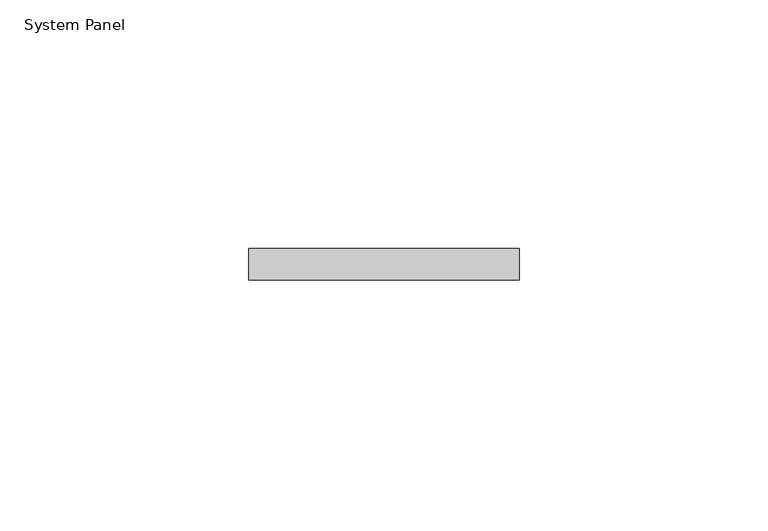
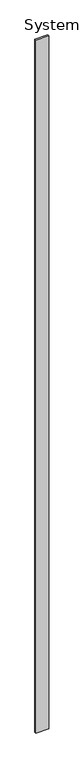
"""IFC4 building model written with IfcOpenShell, lengths in millimetres: plate geometry, System Panel."""

from ifc_helpers import new_model, si_unit, origin, origin_with_axes, place, context, project, spatial, polyline, outline, extrude, source, transform, mapped, element, save


def system_panel_b04a376f(model_context):
    return source(origin(), model_context, "Body", "SweptSolid", [
        extrude(outline(polyline([(27.2226117, 0.0), (-27.2226117, 0.0), (-27.2226117, 6.35), (27.2226117, 6.35), (27.2226117, 0.0)])), origin_with_axes(), (0.0, 0.0, 1.0), 3048.0),
    ])


if __name__ == "__main__":
    model = new_model("IFC4")
    model_context = context("Model", 3, world=origin())
    ifc_project = project(units=[si_unit("LENGTHUNIT", "METRE", prefix="MILLI")], contexts=[model_context])
    site = spatial("IfcSite", under=ifc_project)
    building = spatial("IfcBuilding", under=site)
    placement = place(None, origin())
    system_panel_shape = system_panel_b04a376f(model_context)
    element("IfcPlate", 1, ObjectType="System Panel", at=placement, inside=building, context=model_context, shape_type="MappedRepresentation", body=[
        mapped(system_panel_shape, transform((0.0, 0.0, 0.0), x_axis=(1.0, 0.0, 0.0), y_axis=(0.0, 1.0, 0.0), z_axis=(0.0, 0.0, 1.0))),
    ])
    save(model, "model.ifc")
